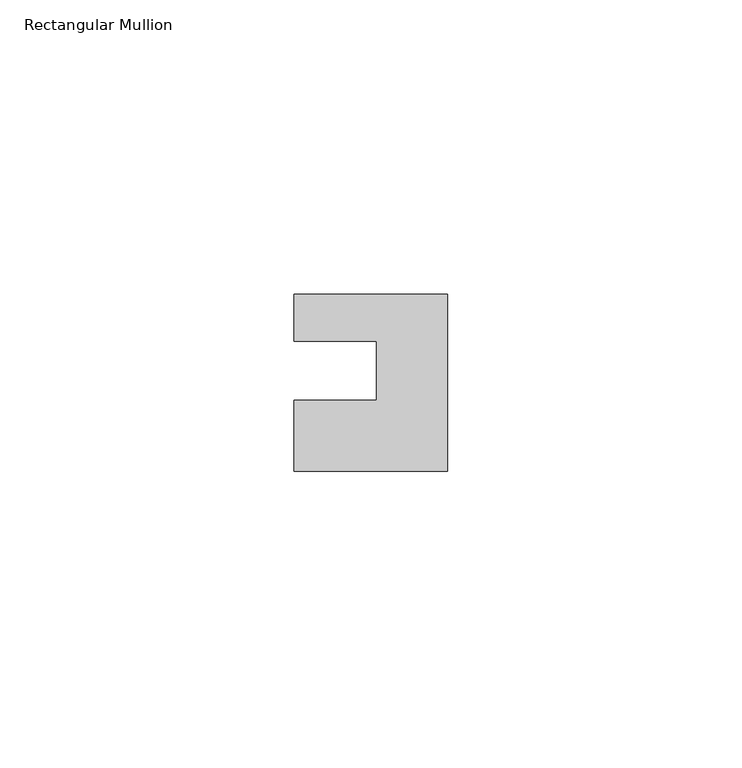
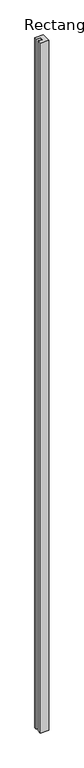
"""IFC4 building model written with IfcOpenShell, lengths in millimetres: member geometry, Rectangular Mullion."""

from ifc_helpers import new_model, si_unit, frame, origin, place, context, project, spatial, polyline, outline, extrude, source, transform, mapped, element, save


def rectangular_mullion_0ce76ce8(model_context):
    return source(origin(), model_context, "Body", "SweptSolid", [
        extrude(outline(polyline([(0.0, 7.94), (0.0, -22.06), (-26.0, -22.06), (-26.0, -10.0), (-12.0, -10.0), (-12.0, 0.001), (-26.0, 0.001), (-26.0, 7.94), (0.0, 7.94)])), frame((0.0, 0.0, -2265.0), z_axis=(0.0, 0.0, 1.0), x_axis=(1.0, 0.0, 0.0)), (0.0, 0.0, 1.0), 2265.0),
    ])


if __name__ == "__main__":
    model = new_model("IFC4")
    model_context = context("Model", 3, world=origin())
    ifc_project = project(units=[si_unit("LENGTHUNIT", "METRE", prefix="MILLI")], contexts=[model_context])
    site = spatial("IfcSite", under=ifc_project)
    building = spatial("IfcBuilding", under=site)
    placement = place(None, origin())
    rectangular_mullion_shape = rectangular_mullion_0ce76ce8(model_context)
    element("IfcMember", 1, ObjectType="Rectangular Mullion", at=placement, inside=building, context=model_context, shape_type="MappedRepresentation", body=[
        mapped(rectangular_mullion_shape, transform((0.0, 0.0, 0.0), x_axis=(1.0, 0.0, 0.0), y_axis=(0.0, 1.0, 0.0), z_axis=(0.0, 0.0, 1.0))),
    ])
    save(model, "model.ifc")
